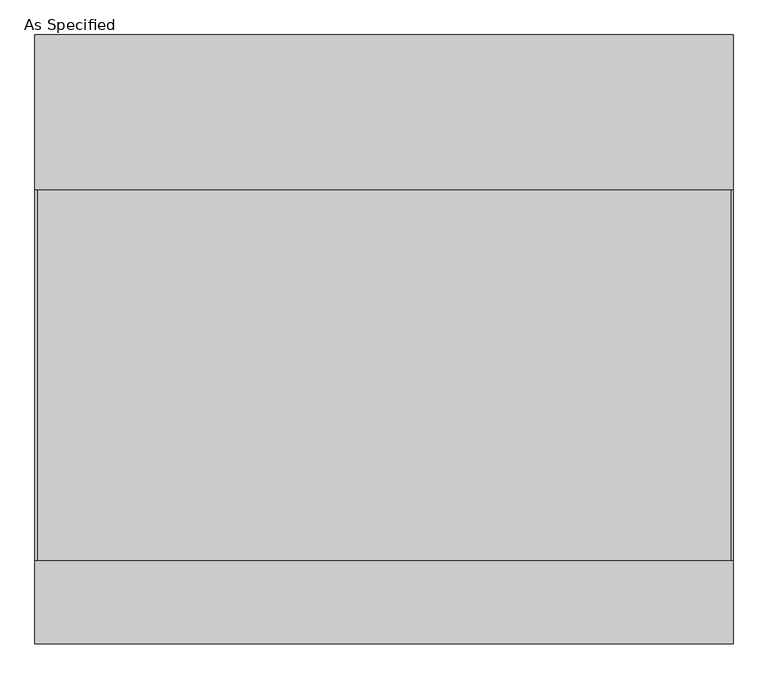
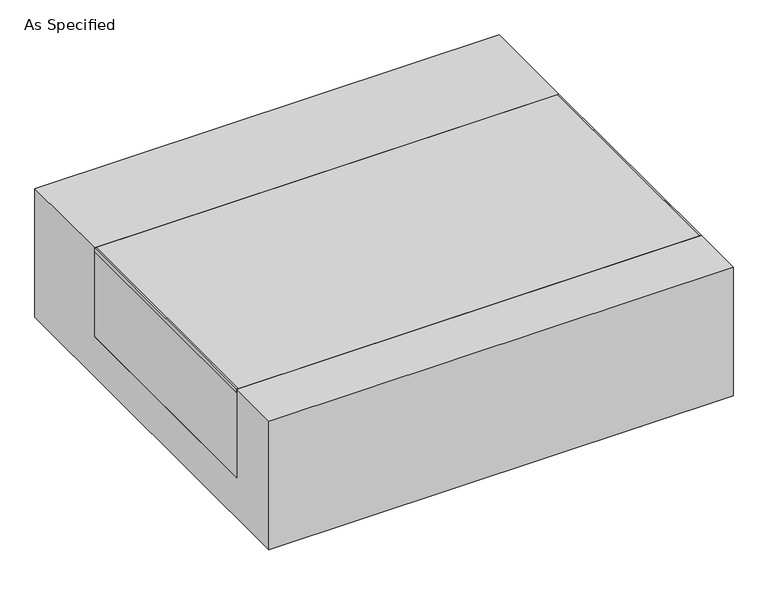
"""IFC4 building model written with IfcOpenShell, lengths in millimetres: proxy geometry, As Specified."""

from ifc_helpers import new_model, si_unit, point, frame, frame_2d, origin, place, context, project, spatial, polyline, circle_curve, trimmed, segment, composite_curve, outline, extrude, source, transform, mapped, element, save


def as_specified_3469d3ce(model_context):
    return source(origin(), model_context, "Body", "SweptSolid", [
        extrude(outline(composite_curve([segment(trimmed(circle_curve(frame_2d((542.0125, -702.475)), 10.5), [point((542.0125, -712.975))], [point((542.0125, -691.975))], False, "CARTESIAN"), True, "CONTINUOUS"), segment(trimmed(circle_curve(frame_2d((542.0125, -702.475)), 10.5), [point((542.0125, -691.975))], [point((542.0125, -712.975))], False, "CARTESIAN"), True, "CONTINUOUS")], self_intersect=False)), frame((0.0, 0.0, -562.225), z_axis=(0.0, 0.0, 1.0), x_axis=(1.0, 0.0, 0.0)), (0.0, 0.0, 1.0), 32.0),
        extrude(outline(polyline([(-856.45625, -546.1), (-862.0125, -546.1), (-862.0125, 368.3), (-856.45625, 368.3), (-856.45625, -546.1)])), frame((0.0, 0.0, -39.6875), z_axis=(0.0, 0.0, 1.0), x_axis=(1.0, 0.0, 0.0)), (0.0, 0.0, 1.0), 14.2875),
        extrude(outline(polyline([(858.04375, 368.3), (862.0125, 368.3), (862.0125, -546.1), (858.04375, -546.1), (858.04375, 368.3)])), frame((0.0, 0.0, -39.6875), z_axis=(0.0, 0.0, 1.0), x_axis=(1.0, 0.0, 0.0)), (0.0, 0.0, 1.0), 14.2875),
        extrude(outline(polyline([(862.0125, 368.3), (862.0125, -546.1), (-862.0125, -546.1), (-862.0125, 368.3), (862.0125, 368.3)])), frame((0.0, 0.0, -373.0625), z_axis=(0.0, 0.0, 1.0), x_axis=(1.0, 0.0, 0.0)), (0.0, 0.0, 1.0), 347.6625),
        extrude(outline(polyline([(752.475, -25.4), (752.475, -530.225), (-752.475, -530.225), (-752.475, -25.4), (-546.1, -25.4), (-546.1, -373.0625), (368.3, -373.0625), (368.3, -25.4), (752.475, -25.4)])), frame((-862.0125, 0.0, 0.0), z_axis=(1.0, 0.0, 0.0), x_axis=(0.0, 1.0, 0.0)), (0.0, 0.0, 1.0), 1724.025),
    ])


if __name__ == "__main__":
    model = new_model("IFC4")
    model_context = context("Model", 3, world=origin())
    ifc_project = project(units=[si_unit("LENGTHUNIT", "METRE", prefix="MILLI")], contexts=[model_context])
    site = spatial("IfcSite", under=ifc_project)
    building = spatial("IfcBuilding", under=site)
    placement = place(None, origin())
    as_specified_shape = as_specified_3469d3ce(model_context)
    element("IfcBuildingElementProxy", 1, Name="As Specified", ObjectType="As Specified", at=placement, inside=building, context=model_context, shape_type="MappedRepresentation", body=[
        mapped(as_specified_shape, transform((0.0, 0.0, 0.0), x_axis=(1.0, 0.0, 0.0), y_axis=(0.0, 1.0, 0.0), z_axis=(0.0, 0.0, 1.0))),
    ])
    save(model, "model.ifc")
